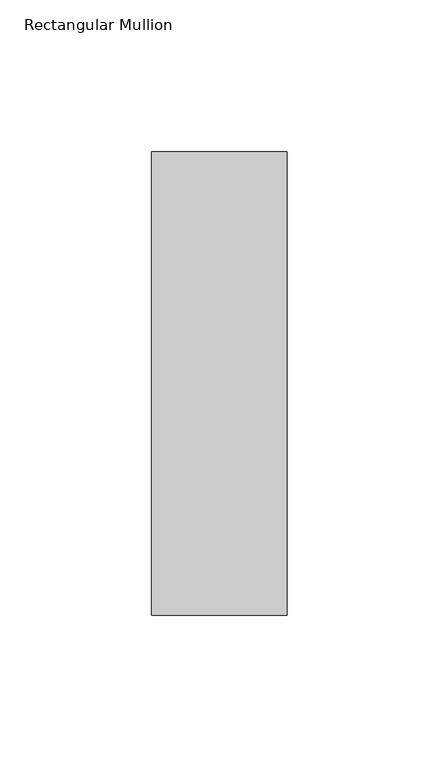
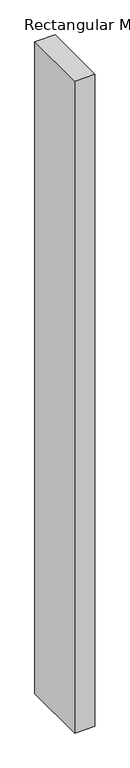
"""IFC4 building model written with IfcOpenShell, lengths in millimetres: member geometry, Rectangular Mullion."""

from ifc_helpers import new_model, si_unit, frame, origin, place, context, project, spatial, polyline, outline, extrude, source, transform, mapped, element, save


def rectangular_mullion_900faca1(model_context):
    return source(origin(), model_context, "Body", "SweptSolid", [
        extrude(outline(polyline([(22.225, 76.1906616), (22.225, -76.2033616), (-22.225, -76.2033616), (-22.225, 76.1906616), (22.225, 76.1906616)])), frame((0.0, 0.0, -1524.0), z_axis=(0.0, 0.0, 1.0), x_axis=(1.0, 0.0, 0.0)), (0.0, 0.0, 1.0), 1524.0),
    ])


if __name__ == "__main__":
    model = new_model("IFC4")
    model_context = context("Model", 3, world=origin())
    ifc_project = project(units=[si_unit("LENGTHUNIT", "METRE", prefix="MILLI")], contexts=[model_context])
    site = spatial("IfcSite", under=ifc_project)
    building = spatial("IfcBuilding", under=site)
    placement = place(None, origin())
    rectangular_mullion_shape = rectangular_mullion_900faca1(model_context)
    element("IfcMember", 1, ObjectType="Rectangular Mullion", at=placement, inside=building, context=model_context, shape_type="MappedRepresentation", body=[
        mapped(rectangular_mullion_shape, transform((0.0, 0.0, 0.0), x_axis=(1.0, 0.0, 0.0), y_axis=(0.0, 1.0, 0.0), z_axis=(0.0, 0.0, 1.0))),
    ])
    save(model, "model.ifc")
